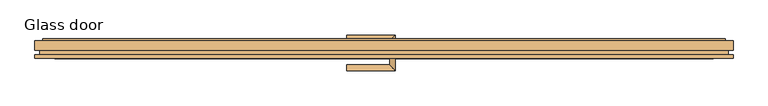
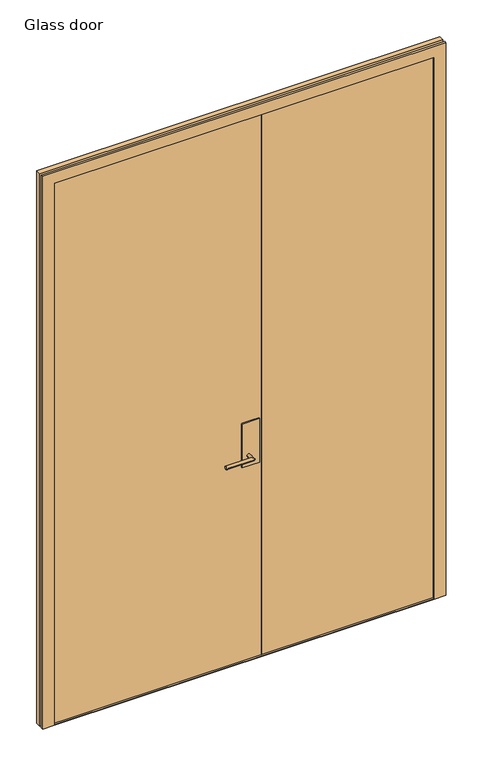
"""IFC4 building model written with IfcOpenShell, lengths in millimetres: door geometry, Glass door."""

from ifc_helpers import new_model, si_unit, frame, origin, origin_with_axes, place, context, project, spatial, polyline, circle_curve, ellipse_curve, outline, extrude, faceted_brep, source, transform, mapped, element, save
from ifc_brep_helpers import plane_surface, cylinder_surface, advanced_brep


def glass_door_c9075174(model_context):
    return source(origin(), model_context, "Body", "SolidModel", [
        advanced_brep(
        [(30.0231001, -10.0, 977.0), (15.0231001, -10.0, 977.0), (15.0231001, -32.5, 977.0), (30.0231001, -47.5, 977.0), (-97.4768999, -47.5, 977.0), (-97.4768999, -32.5, 977.0)],
        [
            (0, 1, circle_curve(frame((22.5231001, -10.0, 977.0), z_axis=(0.0, 1.0, 0.0), x_axis=(-1.0, 0.0, 0.0)), 7.5)),
            (1, 0, circle_curve(frame((22.5231001, -10.0, 977.0), z_axis=(0.0, 1.0, 0.0), x_axis=(-1.0, 0.0, 0.0)), 7.5)),
            (1, 2),
            (2, 3, ellipse_curve(frame((22.5231001, -40.0, 977.0), z_axis=(0.7071067811865475, 0.7071067811865475, 0.0), x_axis=(-0.7071067811865474, 0.7071067811865476, 0.0)), 10.6066017, 7.5)),
            (3, 0),
            (3, 2, ellipse_curve(frame((22.5231001, -40.0, 977.0), z_axis=(0.7071067811865475, 0.7071067811865475, 0.0), x_axis=(-0.7071067811865474, 0.7071067811865476, 0.0)), 10.6066017, 7.5)),
            (4, 5, circle_curve(frame((-97.4768999, -40.0, 977.0), z_axis=(-1.0, 0.0, 0.0), x_axis=(0.0, 1.0, 0.0)), 7.5)),
            (5, 4, circle_curve(frame((-97.4768999, -40.0, 977.0), z_axis=(-1.0, 0.0, 0.0), x_axis=(0.0, 1.0, 0.0)), 7.5)),
            (2, 5),
            (4, 3),
        ],
        [
            plane_surface(frame((22.5231001, -10.0, 977.0), z_axis=(0.0, 1.0, 0.0), x_axis=(0.0, 0.0, 1.0))),
            cylinder_surface(frame((22.5231001, -10.0, 977.0), z_axis=(0.0, 1.0, 0.0), x_axis=(-1.0, 0.0, 0.0)), 7.5),
            plane_surface(frame((-97.4768999, -40.0, 977.0), z_axis=(-1.0, 0.0, 0.0), x_axis=(0.0, 0.0, 1.0))),
            cylinder_surface(frame((22.5231001, -40.0, 977.0), z_axis=(1.0, 0.0, 0.0), x_axis=(0.0, 1.0, 0.0)), 7.5),
        ],
        [
            (0, [[1, 2]]),
            (1, [[3, 4, 5, -2]]),
            (1, [[-5, 6, -3, -1]]),
            (2, [[7, 8]]),
            (3, [[9, -7, 10, -4]]),
            (3, [[-10, -8, -9, -6]]),
        ],
    ),
        advanced_brep(
        [(15.0231001, 8.0, 977.0), (30.0231001, 8.0, 977.0), (30.0231001, 45.5, 977.0), (15.0231001, 30.5, 977.0), (-97.4768999, 30.5, 977.0), (-97.4768999, 45.5, 977.0)],
        [
            (0, 1, circle_curve(frame((22.5231001, 8.0, 977.0), z_axis=(0.0, -1.0, 0.0), x_axis=(1.0, 0.0, 0.0)), 7.5)),
            (1, 0, circle_curve(frame((22.5231001, 8.0, 977.0), z_axis=(0.0, -1.0, 0.0), x_axis=(1.0, 0.0, 0.0)), 7.5)),
            (1, 2),
            (2, 3, ellipse_curve(frame((22.5231001, 38.0, 977.0), z_axis=(0.7071067811865475, -0.7071067811865475, 0.0), x_axis=(-0.7071067811865474, -0.7071067811865476, 0.0)), 10.6066017, 7.5)),
            (3, 0),
            (3, 2, ellipse_curve(frame((22.5231001, 38.0, 977.0), z_axis=(0.7071067811865475, -0.7071067811865475, 0.0), x_axis=(-0.7071067811865474, -0.7071067811865476, 0.0)), 10.6066017, 7.5)),
            (4, 5, circle_curve(frame((-97.4768999, 38.0, 977.0), z_axis=(-1.0, 0.0, 0.0), x_axis=(0.0, 1.0, 0.0)), 7.5)),
            (5, 4, circle_curve(frame((-97.4768999, 38.0, 977.0), z_axis=(-1.0, 0.0, 0.0), x_axis=(0.0, 1.0, 0.0)), 7.5)),
            (2, 5),
            (4, 3),
        ],
        [
            plane_surface(frame((22.5231001, 8.0, 977.0), z_axis=(0.0, -1.0, 0.0), x_axis=(0.0, 0.0, 1.0))),
            cylinder_surface(frame((22.5231001, 8.0, 977.0), z_axis=(0.0, -1.0, 0.0), x_axis=(1.0, 0.0, 0.0)), 7.5),
            plane_surface(frame((-97.4768999, 38.0, 977.0), z_axis=(-1.0, 0.0, 0.0), x_axis=(0.0, 0.0, 1.0))),
            cylinder_surface(frame((22.5231001, 38.0, 977.0), z_axis=(1.0, 0.0, 0.0), x_axis=(0.0, 1.0, 0.0)), 7.5),
        ],
        [
            (0, [[1, 2]]),
            (1, [[3, 4, 5, -2]]),
            (1, [[-5, 6, -3, -1]]),
            (2, [[7, 8]]),
            (3, [[9, -7, 10, -4]]),
            (3, [[-10, -8, -9, -6]]),
        ],
    ),
        extrude(outline(polyline([(72.5231001, -10.0), (-7.4768999, -10.0), (-7.4768999, 8.0), (72.5231001, 8.0), (72.5231001, -10.0)])), frame((0.0, 0.0, 927.0), z_axis=(0.0, 0.0, 1.0), x_axis=(1.0, 0.0, 0.0)), (0.0, 0.0, 1.0), 210.0),
        extrude(outline(polyline([(864.5, -6.0), (82.5231001, -6.0), (82.5231001, 4.0), (864.5, 4.0), (864.5, -6.0)])), origin_with_axes(), (0.0, 0.0, 1.0), 2600.0000007),
        faceted_brep([(911.5, -16.0, 0.0), (859.5, -16.0, 0.0), (859.5, -9.0, 0.0), (871.5, -9.0, 0.0), (871.5, 35.0, 0.0), (891.5, 35.0, 0.0), (891.5, 30.0, 0.0), (911.5, 30.0, 0.0), (911.5, 6.0, 0.0), (899.5, 6.0, 0.0), (899.5, -6.0, 0.0), (911.5, -6.0, 0.0), (911.5, -16.0, 2640.0000007), (-911.5, -16.0, 2640.0000007), (-911.5, -16.0, 0.0), (-859.5, -16.0, 0.0), (-859.5, -16.0, 2588.0000007), (859.5, -16.0, 2588.0000007), (859.5, -9.0, 2588.0000007), (-859.5, -9.0, 2588.0000007), (-859.5, -9.0, 0.0), (-871.5, -9.0, 0.0), (-871.5, -9.0, 2600.0000007), (871.5, -9.0, 2600.0000007), (871.5, 35.0, 2600.0000007), (-871.5, 35.0, 2600.0000007), (-871.5, 35.0, 0.0), (-891.5, 35.0, 0.0), (-891.5, 35.0, 2620.0000007), (891.5, 35.0, 2620.0000007), (891.5, 30.0, 2620.0000007), (-891.5, 30.0, 2620.0000007), (-891.5, 30.0, 0.0), (-911.5, 30.0, 0.0), (-911.5, 30.0, 2640.0000007), (911.5, 30.0, 2640.0000007), (911.5, 6.0, 2640.0000007), (-911.5, 6.0, 2640.0000007), (-911.5, 6.0, 0.0), (-899.5, 6.0, 0.0), (-899.5, 6.0, 2628.0000007), (899.5, 6.0, 2628.0000007), (899.5, -6.0, 2628.0000007), (-899.5, -6.0, 2628.0000007), (-899.5, -6.0, 0.0), (-911.5, -6.0, 0.0), (-911.5, -6.0, 2640.0000007), (911.5, -6.0, 2640.0000007)], [[[0, 1, 2, 3, 4, 5, 6, 7, 8, 9, 10, 11]], [[1, 0, 12, 13, 14, 15, 16, 17]], [[2, 1, 17, 18]], [[3, 2, 18, 19, 20, 21, 22, 23]], [[4, 3, 23, 24]], [[5, 4, 24, 25, 26, 27, 28, 29]], [[6, 5, 29, 30]], [[7, 6, 30, 31, 32, 33, 34, 35]], [[8, 7, 35, 36]], [[9, 8, 36, 37, 38, 39, 40, 41]], [[10, 9, 41, 42]], [[11, 10, 42, 43, 44, 45, 46, 47]], [[0, 11, 47, 12]], [[14, 45, 44, 39, 38, 33, 32, 27, 26, 21, 20, 15]], [[13, 46, 45, 14]], [[43, 40, 39, 44]], [[37, 34, 33, 38]], [[31, 28, 27, 32]], [[25, 22, 21, 26]], [[19, 16, 15, 20]], [[12, 47, 46, 13]], [[18, 17, 16, 19]], [[24, 23, 22, 25]], [[30, 29, 28, 31]], [[36, 35, 34, 37]], [[42, 41, 40, 43]]]),
        extrude(outline(polyline([(-864.5, 4.0), (82.5231001, 4.0), (82.5231001, -6.0), (-864.5, -6.0), (-864.5, 4.0)])), origin_with_axes(), (0.0, 0.0, 1.0), 2600.0000007),
        extrude(outline(polyline([(871.5, 35.0), (871.5, -9.0), (859.5, -9.0), (859.5, -16.0), (-859.5, -16.0), (-859.5, -9.0), (-871.5, -9.0), (-871.5, 35.0), (871.5, 35.0)])), origin_with_axes(), (0.0, 0.0, 1.0), 2.0),
    ])


if __name__ == "__main__":
    model = new_model("IFC4")
    model_context = context("Model", 3, world=origin())
    ifc_project = project(units=[si_unit("LENGTHUNIT", "METRE", prefix="MILLI")], contexts=[model_context])
    site = spatial("IfcSite", under=ifc_project)
    building = spatial("IfcBuilding", under=site)
    placement = place(None, origin())
    glass_door_shape = glass_door_c9075174(model_context)
    element("IfcDoor", 1, ObjectType="Glass door", at=placement, inside=building, context=model_context, shape_type="MappedRepresentation", body=[
        mapped(glass_door_shape, transform((0.0, 0.0, 0.0), x_axis=(1.0, 0.0, 0.0), y_axis=(0.0, 1.0, 0.0), z_axis=(0.0, 0.0, 1.0))),
    ])
    save(model, "model.ifc")
